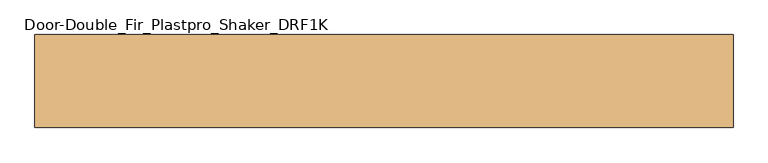
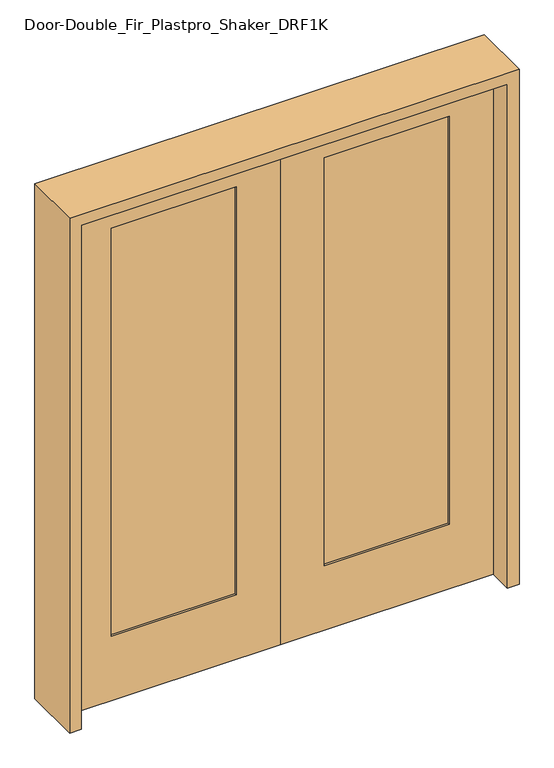
"""IFC4 building model written with IfcOpenShell, lengths in millimetres: door geometry, Door-Double_Fir_Plastpro_Shaker_DRF1K."""

import ifcopenshell
import ifcopenshell.guid

model = None  # the IFC model being written
_history = None  # IfcOwnerHistory: only IFC2X3 demands one
_inside = {}  # id of a spatial element -> (the spatial element, [elements in it])
_under = {}  # id of a project, library or spatial element -> (it, [spatial elements below it])
_declared = {}  # id of a project -> (the project, [libraries it declares])
_typed = {}  # id of a type object -> (the type object, [elements of that type])
_made_of = {}  # id of a material, layer set ... -> (it, [elements and type objects made of it])


def new_model(schema):
    """Start an empty IFC model of exactly this schema.

    Asked for "IFC4X3", IfcOpenShell would pick the latest addendum, in which some entities
    have other attributes; the version numbers below select the first issue.
    IFC2X3 requires an IfcOwnerHistory on every rooted entity: one is made here for all.
    """
    global model, _history
    if schema == "IFC4X3":
        model = ifcopenshell.file(schema_version=(4, 3, 0, 0))
    else:
        model = ifcopenshell.file(schema=schema)
    _inside.clear()
    _under.clear()
    _declared.clear()
    _typed.clear()
    _made_of.clear()
    _history = None
    if model.schema == "IFC2X3":
        org = make("IfcOrganization", Name="unknown")
        user = make(
            "IfcPersonAndOrganization",
            ThePerson=make("IfcPerson", FamilyName="unknown"),
            TheOrganization=org,
        )
        app = make(
            "IfcApplication",
            ApplicationDeveloper=org,
            Version="unknown",
            ApplicationFullName="unknown",
            ApplicationIdentifier="unknown",
        )
        _history = make(
            "IfcOwnerHistory",
            OwningUser=user,
            OwningApplication=app,
            ChangeAction="ADDED",
            CreationDate=0,
        )
    return model


def make(cls, **values):
    """One entity of the class cls with the attributes given. An attribute that is None is left unset."""
    return model.create_entity(
        cls, **{name: value for name, value in values.items() if value is not None}
    )


def rooted(cls, **values):
    """An entity with a GlobalId (a new one), such as an element, a storey or a relation."""
    return make(cls, GlobalId=ifcopenshell.guid.new(), OwnerHistory=_history, **values)


def si_unit(unit_type, name, prefix=None):
    """IfcSIUnit, for example si_unit("LENGTHUNIT", "METRE", prefix="MILLI")."""
    return make("IfcSIUnit", UnitType=unit_type, Prefix=prefix, Name=name)


def assignment(units):
    """IfcUnitAssignment: the units of a project."""
    return None if units is None else make("IfcUnitAssignment", Units=units)


def point(xyz):
    """IfcCartesianPoint."""
    return None if xyz is None else make("IfcCartesianPoint", Coordinates=xyz)


def direction(xyz):
    """IfcDirection."""
    return None if xyz is None else make("IfcDirection", DirectionRatios=xyz)


def frame(location, z_axis=None, x_axis=None):
    """IfcAxis2Placement3D, a coordinate frame: its origin and axes. An axis left out is left unset."""
    return make(
        "IfcAxis2Placement3D",
        Location=point(location),
        Axis=direction(z_axis),
        RefDirection=direction(x_axis),
    )


def origin():
    """The frame at (0, 0, 0) with its axes left unset."""
    return frame((0.0, 0.0, 0.0))


def place(relative_to, where):
    """IfcLocalPlacement: puts the frame where relative to a parent placement (None: the world)."""
    return make(
        "IfcLocalPlacement", PlacementRelTo=relative_to, RelativePlacement=where
    )


def context(
    kind, dimensions, precision=None, world=None, true_north=None, identifier=None
):
    """IfcGeometricRepresentationContext, for example the 3D "Model" context."""
    return make(
        "IfcGeometricRepresentationContext",
        ContextIdentifier=identifier,
        ContextType=kind,
        CoordinateSpaceDimension=dimensions,
        Precision=precision,
        WorldCoordinateSystem=world,
        TrueNorth=true_north,
    )


def project(units=None, contexts=None):
    """IfcProject with its units and contexts."""
    return rooted(
        "IfcProject",
        Name="project",
        RepresentationContexts=contexts,
        UnitsInContext=assignment(units),
    )


def spatial(cls, under=None, at=None, **own):
    """A site, building, storey or space (cls), placed at a placement, below another one or the project."""
    s = rooted(cls, ObjectPlacement=at, **own)
    if under is not None:
        _under.setdefault(under.id(), (under, []))[1].append(s)
    return s


def polyline(points):
    """IfcPolyline through the points."""
    return make("IfcPolyline", Points=[point(p) for p in points])


def outline(outer, holes=None, kind="AREA"):
    """IfcArbitraryClosedProfileDef: a profile drawn as a closed curve; with holes, ...WithVoids."""
    if holes is None:
        return make("IfcArbitraryClosedProfileDef", ProfileType=kind, OuterCurve=outer)
    return make(
        "IfcArbitraryProfileDefWithVoids",
        ProfileType=kind,
        OuterCurve=outer,
        InnerCurves=holes,
    )


def extrude(swept, where, along, depth):
    """IfcExtrudedAreaSolid: the profile swept, set in the frame where, extruded along a direction by depth."""
    return make(
        "IfcExtrudedAreaSolid",
        SweptArea=swept,
        Position=where,
        ExtrudedDirection=direction(along),
        Depth=depth,
    )


def shape(context_of_items, identifier, shape_type, items):
    """IfcShapeRepresentation: the items that make up one representation, for example the "Body"."""
    return make(
        "IfcShapeRepresentation",
        ContextOfItems=context_of_items,
        RepresentationIdentifier=identifier,
        RepresentationType=shape_type,
        Items=items,
    )


def source(mapping_origin, context_of_items, identifier, shape_type, items):
    """IfcRepresentationMap: a shape defined once, which mapped items show again and again."""
    return make(
        "IfcRepresentationMap",
        MappingOrigin=mapping_origin,
        MappedRepresentation=shape(context_of_items, identifier, shape_type, items),
    )


def transform(
    local_origin,
    x_axis=None,
    y_axis=None,
    z_axis=None,
    scale=None,
    scale2=None,
    scale3=None,
    uniform=True,
):
    """IfcCartesianTransformationOperator3D, or its non-uniform kind. x_axis, y_axis, z_axis: its Axis1, 2, 3."""
    if uniform:
        return make(
            "IfcCartesianTransformationOperator3D",
            Axis1=direction(x_axis),
            Axis2=direction(y_axis),
            LocalOrigin=point(local_origin),
            Scale=scale,
            Axis3=direction(z_axis),
        )
    return make(
        "IfcCartesianTransformationOperator3DnonUniform",
        Axis1=direction(x_axis),
        Axis2=direction(y_axis),
        LocalOrigin=point(local_origin),
        Scale=scale,
        Axis3=direction(z_axis),
        Scale2=scale2,
        Scale3=scale3,
    )


def mapped(mapping_source, mapping_target):
    """IfcMappedItem: shows the shape of a source again, moved by a transform."""
    return make(
        "IfcMappedItem", MappingSource=mapping_source, MappingTarget=mapping_target
    )


def made_of(thing, what):
    """Note that an element or type object is made of a material, layer set ...; save() writes the relation."""
    if what is not None:
        _made_of.setdefault(what.id(), (what, []))[1].append(thing)
    return thing


def element(
    cls,
    number,
    at=None,
    inside=None,
    cuts=None,
    type_object=None,
    material=None,
    context=None,
    identifier="Body",
    shape_type=None,
    held_by="IfcProductDefinitionShape",
    body=None,
    shapes=None,
    **own,
):
    """One element of the class cls, such as IfcWall. Its Tag is "e" and its number.

    at: its placement. inside: the storey or other place that contains it. cuts: it is an
    opening in that element (IfcRelVoidsElement). A single representation is given by context,
    identifier, shape_type and body (its items); several are given by shapes. held_by: the class
    of the entity that holds the representations. save() writes the other relations.
    """
    e = rooted(cls, Tag="e%d" % number, ObjectPlacement=at, **own)
    if body is not None:
        shapes = [shape(context, identifier, shape_type, body)]
    if shapes is not None:
        e.Representation = make(held_by, Representations=shapes)
    if inside is not None:
        _inside.setdefault(inside.id(), (inside, []))[1].append(e)
    if cuts is not None:
        rooted(
            "IfcRelVoidsElement", RelatingBuildingElement=cuts, RelatedOpeningElement=e
        )
    if type_object is not None:
        _typed.setdefault(type_object.id(), (type_object, []))[1].append(e)
    return made_of(e, material)


def aggregate(whole, parts):
    """IfcRelAggregates: a whole, such as a stair, and the parts it consists of."""
    return rooted("IfcRelAggregates", RelatingObject=whole, RelatedObjects=parts)


def save(model, path):
    """Write the relations noted so far, then the file.

    IfcRelAggregates (storeys below a building ...), IfcRelContainedInSpatialStructure (elements
    in a storey), IfcRelDefinesByType, IfcRelAssociatesMaterial and IfcRelDeclares: one each for
    every whole, place, type object, material and project.
    """
    for whole, parts in _under.values():
        aggregate(whole, parts)
    for where, things in _inside.values():
        rooted(
            "IfcRelContainedInSpatialStructure",
            RelatedElements=things,
            RelatingStructure=where,
        )
    for kind, things in _typed.values():
        rooted("IfcRelDefinesByType", RelatedObjects=things, RelatingType=kind)
    for what, things in _made_of.values():
        rooted("IfcRelAssociatesMaterial", RelatedObjects=things, RelatingMaterial=what)
    for by, libraries in _declared.values():
        rooted("IfcRelDeclares", RelatingContext=by, RelatedDefinitions=libraries)
    model.write(path)


def door_double_fir_plastpro_shaker_drf1k_2e0caa18(model_context):
    return source(origin(), model_context, "Body", "SweptSolid", [
        extrude(outline(polyline([(2032.0, 0.0), (2032.0, -812.8), (0.0, -812.8), (0.0, 0.0), (2032.0, 0.0)]), holes=[polyline([(1905.0, -644.525), (1905.0, -168.275), (260.35, -168.275), (260.35, -644.525), (1905.0, -644.525)])]), frame((0.0, -22.225, 0.0), z_axis=(0.0, 1.0, 0.0), x_axis=(0.0, 0.0, 1.0)), (0.0, 0.0, 1.0), 44.45),
        extrude(outline(polyline([(-644.525, 12.7), (-168.275, 12.7), (-168.275, -14.2875), (-644.525, -14.2875), (-644.525, 12.7)])), frame((0.0, 0.0, 260.35), z_axis=(0.0, 0.0, 1.0), x_axis=(1.0, 0.0, 0.0)), (0.0, 0.0, 1.0), 1644.65),
        extrude(outline(polyline([(2032.0, 0.0), (0.0, 0.0), (0.0, 812.8), (2032.0, 812.8), (2032.0, 0.0)]), holes=[polyline([(1905.0, 644.525), (260.35, 644.525), (260.35, 168.275), (1905.0, 168.275), (1905.0, 644.525)])]), frame((0.0, -22.225, 0.0), z_axis=(0.0, 1.0, 0.0), x_axis=(0.0, 0.0, 1.0)), (0.0, 0.0, 1.0), 44.45),
        extrude(outline(polyline([(644.525, 12.7), (644.525, -14.2875), (168.275, -14.2875), (168.275, 12.7), (644.525, 12.7)])), frame((0.0, 0.0, 260.35), z_axis=(0.0, 0.0, 1.0), x_axis=(1.0, 0.0, 0.0)), (0.0, 0.0, 1.0), 1644.65),
        extrude(outline(polyline([(0.0, -857.25), (0.0, -812.8), (2032.0, -812.8), (2032.0, 812.8), (0.0, 812.8), (0.0, 857.25), (2076.45, 857.25), (2076.45, -857.25), (0.0, -857.25)])), frame((0.0, -114.3, 0.0), z_axis=(0.0, 1.0, 0.0), x_axis=(0.0, 0.0, 1.0)), (0.0, 0.0, 1.0), 228.6),
    ])


if __name__ == "__main__":
    model = new_model("IFC4")
    model_context = context("Model", 3, world=origin())
    ifc_project = project(units=[si_unit("LENGTHUNIT", "METRE", prefix="MILLI")], contexts=[model_context])
    site = spatial("IfcSite", under=ifc_project)
    building = spatial("IfcBuilding", under=site)
    placement = place(None, origin())
    door_double_fir_plastpro_shaker_drf1k_shape = door_double_fir_plastpro_shaker_drf1k_2e0caa18(model_context)
    element("IfcDoor", 1, ObjectType="Door-Double_Fir_Plastpro_Shaker_DRF1K", at=placement, inside=building, context=model_context, shape_type="MappedRepresentation", body=[
        mapped(door_double_fir_plastpro_shaker_drf1k_shape, transform((0.0, 0.0, 0.0), x_axis=(1.0, 0.0, 0.0), y_axis=(0.0, 1.0, 0.0), z_axis=(0.0, 0.0, 1.0))),
    ])
    save(model, "model.ifc")
